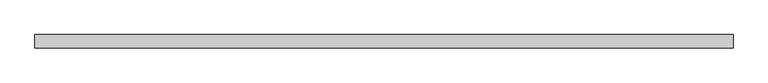
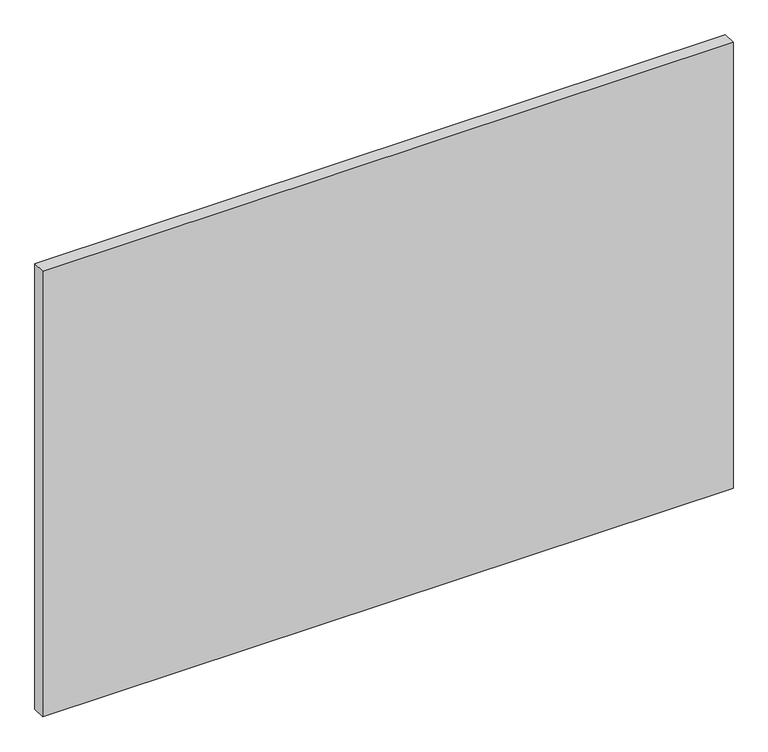
"""IFC4 building model written with IfcOpenShell, lengths in millimetres: proxy geometry."""

from ifc_helpers import new_model, si_unit, origin, origin_with_axes, place, context, project, spatial, polyline, outline, extrude, source, transform, mapped, element, save


def generic_models_a3234c73(model_context):
    return source(origin(), model_context, "Body", "SweptSolid", [
        extrude(outline(polyline([(1785.5, 0.0), (-1785.5, 0.0), (-1785.5, 68.0), (1785.5, 68.0), (1785.5, 0.0)])), origin_with_axes(), (0.0, 0.0, 1.0), 2436.4),
    ])


if __name__ == "__main__":
    model = new_model("IFC4")
    model_context = context("Model", 3, world=origin())
    ifc_project = project(units=[si_unit("LENGTHUNIT", "METRE", prefix="MILLI")], contexts=[model_context])
    site = spatial("IfcSite", under=ifc_project)
    building = spatial("IfcBuilding", under=site)
    placement = place(None, origin())
    generic_models_shape = generic_models_a3234c73(model_context)
    element("IfcBuildingElementProxy", 1, Name="Generic Models", at=placement, inside=building, context=model_context, shape_type="MappedRepresentation", body=[
        mapped(generic_models_shape, transform((0.0, 0.0, 0.0), x_axis=(1.0, 0.0, 0.0), y_axis=(0.0, 1.0, 0.0), z_axis=(0.0, 0.0, 1.0))),
    ])
    save(model, "model.ifc")
